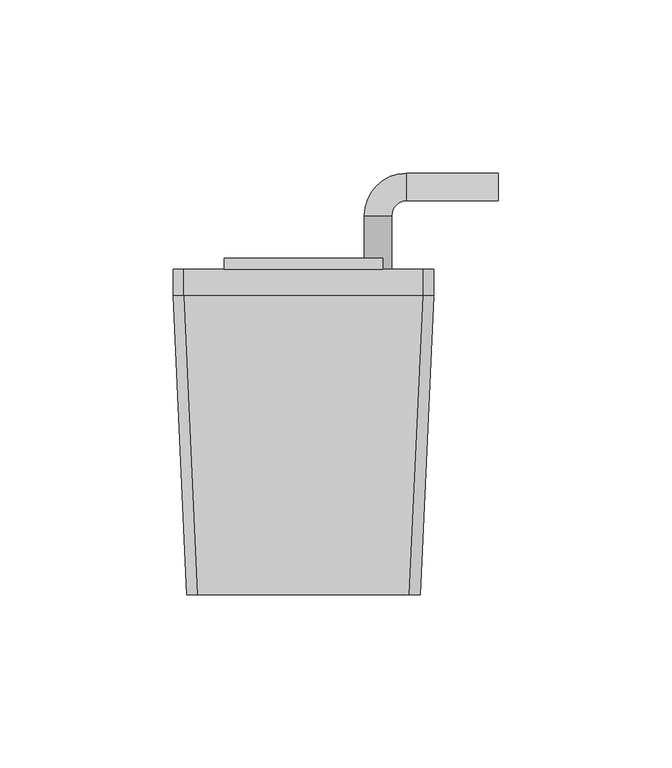
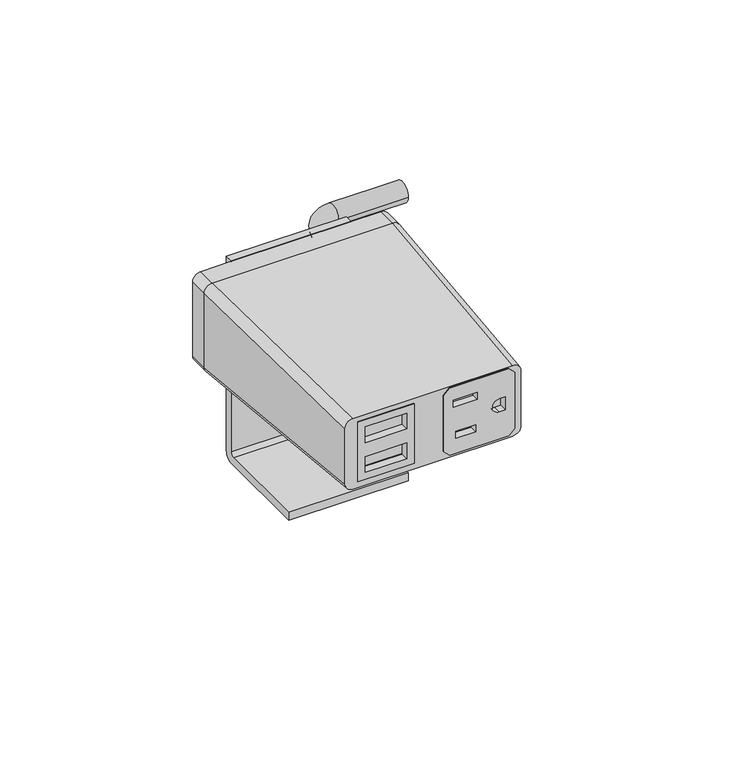
"""IFC4 building model written with IfcOpenShell, lengths in millimetres: furniture geometry."""

from ifc_helpers import new_model, si_unit, point, frame, frame_2d, origin, place, context, project, spatial, polyline, circle_curve, ellipse_curve, trimmed, segment, composite_curve, outline, extrude, source, transform, mapped, element, save
from ifc_brep_helpers import plane_surface, cylinder_surface, revolved_surface, extruded_surface, advanced_brep


def furniture_a7ff7b1a(model_context):
    return source(origin(), model_context, "Body", "SolidModel", [
        extrude(outline(polyline([(33.5799134, -7.143469), (33.5799134, -28.6985163), (9.5200868, -28.6985163), (9.5200868, -7.143469), (33.5799134, -7.143469)]), holes=[polyline([(24.3899925, -25.8584916), (30.7399205, -25.8584916), (30.7399205, -9.9834931), (24.3899925, -9.9834931), (24.3899925, -25.8584916)]), polyline([(12.3600786, -25.8584916), (18.7100078, -25.8584916), (18.7100078, -9.9834931), (12.3600786, -9.9834931), (12.3600786, -25.8584916)])]), frame((0.0, -88.4452555, 0.0), z_axis=(0.0, 1.0, 0.0), x_axis=(0.0, 0.0, 1.0)), (0.0, 0.0, 1.0), 2.932688),
        extrude(outline(polyline([(32.8010888, 4.0957501), (10.195342, 4.0957501), (7.909368, 6.3817502), (7.909368, 28.9877496), (10.195342, 31.2737497), (32.8010888, 31.2737497), (35.0870639, 28.9877496), (35.0870639, 6.3817502), (32.8010888, 4.0957501)]), holes=[polyline([(29.651524, 7.8041498), (29.651524, 17.0497496), (26.8067576, 17.0497496), (26.8067576, 7.8041498), (29.651524, 7.8041498)]), polyline([(16.900867, 16.3893498), (14.0560995, 16.3893498), (14.0560995, 8.71855), (16.900867, 8.71855), (16.900867, 16.3893498)]), composite_curve([segment(polyline([(18.8820449, 27.7177508), (18.8820449, 25.414376)]), True, "CONTINUOUS"), segment(trimmed(circle_curve(frame_2d((21.498216, 25.414376)), 2.616171), [point((18.8820449, 25.414376))], [point((24.114387, 25.414376))], True, "CARTESIAN"), True, "CONTINUOUS"), segment(polyline([(24.114387, 25.414376), (24.114387, 27.7177508), (18.8820449, 27.7177508)]), True, "CONTINUOUS")], self_intersect=False)]), frame((0.0, -88.4452555, 0.0), z_axis=(0.0, 1.0, 0.0), x_axis=(0.0, 0.0, 1.0)), (0.0, 0.0, 1.0), 2.932688),
        advanced_brep(
        [(-30.6070003, -88.4452555, 35.7222154), (-33.6549997, -88.4452555, 32.6742161), (-33.6549997, -88.4452555, 10.3222158), (-30.6070003, -88.4452555, 7.2742165), (30.6070003, -88.4452555, 7.2742165), (33.6549997, -88.4452555, 10.3222158), (33.6549997, -88.4452555, 32.6742161), (30.6070003, -88.4452555, 35.7222154), (-7.143469, -88.4452555, 33.5799134), (-7.143469, -88.4452555, 9.5200868), (-28.6985163, -88.4452555, 9.5200868), (-28.6985163, -88.4452555, 33.5799134), (4.0957501, -88.4452555, 10.195342), (4.0957501, -88.4452555, 32.8010888), (6.3817502, -88.4452555, 35.0870639), (28.9877496, -88.4452555, 35.0870639), (31.2737497, -88.4452555, 32.8010888), (31.2737497, -88.4452555, 10.195342), (28.9877496, -88.4452555, 7.909368), (6.3817502, -88.4452555, 7.909368), (-34.5440011, -2.0852583, 39.5957163), (34.5440011, -2.0852583, 39.5957163), (37.5920005, -2.0852583, 36.5477169), (37.5920005, -2.0852583, 6.4487155), (34.5440011, -2.0852583, 3.4007162), (-34.5440011, -2.0852583, 3.4007162), (-37.5920005, -2.0852583, 6.4487155), (-37.5920005, -2.0852583, 36.5477169), (-7.143469, -81.347006, 9.5200868), (-7.143469, -81.347006, 33.5799134), (-28.6985163, -81.347006, 33.5799134), (-28.6985163, -81.347006, 9.5200868), (4.0957501, -81.347006, 32.8010888), (4.0957501, -81.347006, 10.195342), (6.3817502, -81.347006, 7.909368), (28.9877496, -81.347006, 7.909368), (31.2737497, -81.347006, 10.195342), (31.2737497, -81.347006, 32.8010888), (28.9877496, -81.347006, 35.0870639), (6.3817502, -81.347006, 35.0870639)],
        [
            (0, 1, circle_curve(frame((-30.6070003, -88.4452555, 32.6742161), z_axis=(0.0, -1.0, 0.0), x_axis=(1.0, 0.0, 0.0)), 3.0479994)),
            (1, 2),
            (2, 3, circle_curve(frame((-30.6070003, -88.4452555, 10.3222158), z_axis=(0.0, -1.0, 0.0), x_axis=(1.0, 0.0, 0.0)), 3.0479994)),
            (3, 4),
            (4, 5, circle_curve(frame((30.6070003, -88.4452555, 10.3222158), z_axis=(0.0, -1.0, 0.0), x_axis=(1.0, 0.0, 0.0)), 3.0479994)),
            (5, 6),
            (6, 7, circle_curve(frame((30.6070003, -88.4452555, 32.6742161), z_axis=(0.0, -1.0, 0.0), x_axis=(1.0, 0.0, 0.0)), 3.0479994)),
            (7, 0),
            (8, 9),
            (9, 10),
            (10, 11),
            (11, 8),
            (12, 13),
            (13, 14),
            (14, 15),
            (15, 16),
            (16, 17),
            (17, 18),
            (18, 19),
            (19, 12),
            (20, 21),
            (21, 22, circle_curve(frame((34.5440011, -2.0852583, 36.5477169), z_axis=(0.0, 1.0, 0.0), x_axis=(1.0, 0.0, 0.0)), 3.0479994)),
            (22, 23),
            (23, 24, circle_curve(frame((34.5440011, -2.0852583, 6.4487155), z_axis=(0.0, 1.0, 0.0), x_axis=(1.0, 0.0, 0.0)), 3.0479994)),
            (24, 25),
            (25, 26, circle_curve(frame((-34.5440011, -2.0852583, 6.4487155), z_axis=(0.0, 1.0, 0.0), x_axis=(1.0, 0.0, 0.0)), 3.0479994)),
            (26, 27),
            (27, 20, circle_curve(frame((-34.5440011, -2.0852583, 36.5477169), z_axis=(0.0, 1.0, 0.0), x_axis=(1.0, 0.0, 0.0)), 3.0479994)),
            (0, 20),
            (27, 1),
            (26, 2),
            (25, 3),
            (24, 4),
            (23, 5),
            (22, 6),
            (21, 7),
            (28, 29),
            (29, 30),
            (30, 31),
            (31, 28),
            (32, 33),
            (33, 34),
            (34, 35),
            (35, 36),
            (36, 37),
            (37, 38),
            (38, 39),
            (39, 32),
            (28, 9),
            (8, 29),
            (11, 30),
            (10, 31),
            (32, 13),
            (12, 33),
            (19, 34),
            (18, 35),
            (17, 36),
            (16, 37),
            (15, 38),
            (14, 39),
        ],
        [
            plane_surface(frame((0.0, -88.4452555, 21.498216), z_axis=(0.0, -1.0, 0.0), x_axis=(-1.0, 0.0, 0.0))),
            plane_surface(frame((0.0, -2.0852583, 21.4982162), z_axis=(0.0, 1.0, 0.0), x_axis=(-1.0, 0.0, 0.0))),
            extruded_surface(trimmed(circle_curve(frame((-34.5440011, -2.0852583, 36.5477169), z_axis=(0.0, -1.0, 0.0), x_axis=(1.0, 0.0, 0.0)), 3.0479994), [point((-34.5440011, -2.0852583, 39.5957163))], [point((-37.5920005, -2.0852583, 36.5477169))], True, "CARTESIAN"), (3.9370008000000034, -86.3599972, -3.873500799999995), 86.53642643494592),
            plane_surface(frame((-37.5920005, -2.0852583, 21.4982162), z_axis=(-0.9989624728470853, -0.0455409468855925, 0.0), x_axis=(0.0, 0.0, -1.0))),
            extruded_surface(trimmed(circle_curve(frame((-34.5440011, -2.0852583, 6.4487155), z_axis=(0.0, -1.0, 0.0), x_axis=(1.0, 0.0, 0.0)), 3.0479994), [point((-37.5920005, -2.0852583, 6.4487155))], [point((-34.5440011, -2.0852583, 3.4007162))], True, "CARTESIAN"), (3.9370008000000034, -86.3599972, 3.873500300000001), 86.53642641256518),
            plane_surface(frame((0.0, -2.0852583, 3.4007162), z_axis=(0.0, -0.0448078965931779, -0.998995621813677), x_axis=(1.0, 0.0, 0.0))),
            extruded_surface(trimmed(circle_curve(frame((34.5440011, -2.0852583, 6.4487155), z_axis=(0.0, -1.0, 0.0), x_axis=(1.0, 0.0, 0.0)), 3.0479994), [point((34.5440011, -2.0852583, 3.4007162))], [point((37.5920005, -2.0852583, 6.4487155))], True, "CARTESIAN"), (-3.9370008000000034, -86.3599972, 3.873500300000001), 86.53642641256518),
            plane_surface(frame((37.5920005, -2.0852583, 21.4982162), z_axis=(0.9989624728470853, -0.045540946885592404, 0.0), x_axis=(0.0, 0.0, 1.0))),
            extruded_surface(trimmed(circle_curve(frame((34.5440011, -2.0852583, 36.5477169), z_axis=(0.0, -1.0, 0.0), x_axis=(1.0, 0.0, 0.0)), 3.0479994), [point((37.5920005, -2.0852583, 36.5477169))], [point((34.5440011, -2.0852583, 39.5957163))], True, "CARTESIAN"), (-3.9370008000000034, -86.3599972, -3.873500799999995), 86.53642643494592),
            plane_surface(frame((0.0, -2.0852583, 39.5957163), z_axis=(0.0, -0.04480790314743242, 0.9989956215196993), x_axis=(-1.0, 0.0, 0.0))),
            plane_surface(frame((-28.6985163, -81.347006, 9.5200868), z_axis=(0.0, -1.0, 0.0), x_axis=(-1.0, 0.0, 0.0))),
            plane_surface(frame((-7.143469, -81.347006, 33.5799134), z_axis=(-1.0, 0.0, 0.0), x_axis=(0.0, -1.0, 0.0))),
            plane_surface(frame((-28.6985163, -81.347006, 33.5799134), z_axis=(0.0, 0.0, -1.0), x_axis=(0.0, -1.0, 0.0))),
            plane_surface(frame((-28.6985163, -81.347006, 9.5200868), z_axis=(1.0, 0.0, 0.0), x_axis=(0.0, -1.0, 0.0))),
            plane_surface(frame((-7.143469, -81.347006, 9.5200868), z_axis=(0.0, 0.0, 1.0), x_axis=(0.0, -1.0, 0.0))),
            plane_surface(frame((4.0957501, -81.347006, 10.195342), z_axis=(1.0, 0.0, 0.0), x_axis=(0.0, -1.0, 0.0))),
            plane_surface(frame((6.3817502, -81.347006, 7.909368), z_axis=(0.7071027420791227, 0.0, 0.7071108202709006), x_axis=(0.0, -1.0, 0.0))),
            plane_surface(frame((28.9877496, -81.347006, 7.909368), z_axis=(0.0, 0.0, 1.0), x_axis=(0.0, -1.0, 0.0))),
            plane_surface(frame((31.2737497, -81.347006, 10.195342), z_axis=(-0.707102742079113, 0.0, 0.7071108202709103), x_axis=(0.0, -1.0, 0.0))),
            plane_surface(frame((31.2737497, -81.347006, 32.8010888), z_axis=(-1.0, 0.0, 0.0), x_axis=(0.0, -1.0, 0.0))),
            plane_surface(frame((28.9877496, -81.347006, 35.0870639), z_axis=(-0.7071029176939297, 0.0, -0.7071106446580561), x_axis=(0.0, -1.0, 0.0))),
            plane_surface(frame((6.3817502, -81.347006, 35.0870639), z_axis=(0.0, 0.0, -1.0), x_axis=(0.0, -1.0, 0.0))),
            plane_surface(frame((4.0957501, -81.347006, 32.8010888), z_axis=(0.7071029176939185, 0.0, -0.7071106446580673), x_axis=(0.0, -1.0, 0.0))),
        ],
        [
            (0, [[1, 2, 3, 4, 5, 6, 7, 8], [9, 10, 11, 12], [13, 14, 15, 16, 17, 18, 19, 20]]),
            (1, [[21, 22, 23, 24, 25, 26, 27, 28]]),
            (2, [[-1, 29, -28, 30]]),
            (3, [[-2, -30, -27, 31]]),
            (4, [[-3, -31, -26, 32]]),
            (5, [[-4, -32, -25, 33]]),
            (6, [[-5, -33, -24, 34]]),
            (7, [[-6, -34, -23, 35]]),
            (8, [[-7, -35, -22, 36]]),
            (9, [[-8, -36, -21, -29]]),
            (10, [[37, 38, 39, 40]]),
            (10, [[41, 42, 43, 44, 45, 46, 47, 48]]),
            (11, [[-37, 49, -9, 50]]),
            (12, [[-38, -50, -12, 51]]),
            (13, [[-39, -51, -11, 52]]),
            (14, [[-40, -52, -10, -49]]),
            (15, [[-41, 53, -13, 54]]),
            (16, [[-42, -54, -20, 55]]),
            (17, [[-43, -55, -19, 56]]),
            (18, [[-44, -56, -18, 57]]),
            (19, [[-45, -57, -17, 58]]),
            (20, [[-46, -58, -16, 59]]),
            (21, [[-47, -59, -15, 60]]),
            (22, [[-48, -60, -14, -53]]),
        ],
    ),
        advanced_brep(
        [(22.8600009, 8.7097421, 39.790817), (-22.8600009, 8.7097421, 39.790817), (-22.8600009, 5.5347423, 39.790817), (22.8600009, 5.5347423, 39.790817), (22.8600009, 8.7097421, 29.6169016), (17.5720243, 8.7097421, 25.8828088), (22.8600009, 8.7097421, 22.148716), (22.8600009, 8.7097421, -38.8619998), (-22.8600009, 8.7097421, -38.8619998), (-22.8600009, 5.5347406, -42.0370014), (-22.8600009, -32.4382589, -42.0370014), (-22.8600009, -32.4382589, -38.8619998), (-22.8600009, 4.0107421, -38.8619998), (-22.8600009, 5.5347423, -37.3379996), (-22.8600009, 5.5347423, -1.5240008), (-22.8600009, 4.0107415, 0.0), (-22.8600009, -26.3422579, 0.0), (-22.8600009, -26.3422579, 3.1750001), (-22.8600009, 5.5347418, 3.1750001), (-22.8600009, 5.5347423, 3.4007162), (-22.8600009, 5.5347418, 39.5957163), (22.8600009, 5.5347423, 39.5957163), (22.8600009, 5.5347423, 3.1750001), (22.8600009, 5.5347423, 3.4007162), (22.8600009, 5.5347418, 29.6169016), (22.8600009, 5.5347423, -37.3379996), (22.8600009, 4.0107421, -38.8619998), (22.8600009, -32.4382589, -38.8619998), (22.8600009, -32.4382589, -42.0370014), (22.8600009, 5.5347406, -42.0370014), (22.8600009, 5.5347418, 22.148716), (22.8600009, -26.3422579, 3.1750001), (22.8600009, -26.3422579, 0.0), (22.8600009, 4.0107415, 0.0), (22.8600009, 5.5347423, -1.5240008), (-34.5440011, -2.0852583, 3.4007162), (34.5440011, -2.0852583, 3.4007162), (37.5920005, -2.0852583, 6.4487155), (37.5920005, -2.0852583, 36.5477169), (34.5440011, -2.0852583, 39.5957163), (-34.5440011, -2.0852583, 39.5957163), (-37.5920005, -2.0852583, 36.5477169), (-37.5920005, -2.0852583, 6.4487155), (-34.5440011, 5.5347418, 3.4007162), (-37.5920005, 5.5347418, 6.4487155), (-37.5920005, 5.5347418, 36.5477169), (-34.5440011, 5.5347418, 39.5957163), (34.5440011, 5.5347418, 39.5957163), (37.5920005, 5.5347418, 36.5477169), (37.5920005, 5.5347418, 6.4487155), (34.5440011, 5.5347418, 3.4007162), (25.4968222, 5.5347418, 25.8828088), (56.2588798, 33.2236057, 25.8828088), (56.2588798, 25.2988078, 25.8828088), (29.7883628, 33.2236057, 25.8828088), (29.7883628, 25.2988078, 25.8828088), (17.5720243, 21.0072671, 25.8828088), (25.4968222, 21.0072671, 25.8828088)],
        [
            (0, 1),
            (1, 2),
            (2, 3),
            (3, 0),
            (0, 4),
            (4, 5, circle_curve(frame((21.5344232, 8.7097421, 25.8828088), z_axis=(0.0, -1.0, 0.0), x_axis=(1.0, 0.0, 0.0)), 3.9623989)),
            (5, 6, circle_curve(frame((21.5344232, 8.7097421, 25.8828088), z_axis=(0.0, -1.0, 0.0), x_axis=(1.0, 0.0, 0.0)), 3.9623989)),
            (6, 7),
            (7, 8),
            (8, 1),
            (8, 9, circle_curve(frame((-22.8600009, 5.5347406, -38.8619998), z_axis=(-1.0, 0.0, 0.0), x_axis=(0.0, 1.0, 0.0)), 3.1750015)),
            (9, 10),
            (10, 11),
            (11, 12),
            (12, 13, circle_curve(frame((-22.8600009, 4.0107421, -37.3379996), z_axis=(1.0, 0.0, 0.0), x_axis=(0.0, 1.0, 0.0)), 1.5240002)),
            (13, 14),
            (14, 15, circle_curve(frame((-22.8600009, 4.0107415, -1.5240008), z_axis=(1.0, 0.0, 0.0), x_axis=(0.0, 1.0, 0.0)), 1.5240008)),
            (15, 16),
            (16, 17),
            (17, 18),
            (18, 19),
            (19, 20),
            (20, 2),
            (20, 21),
            (21, 3),
            (18, 22),
            (22, 23),
            (23, 19),
            (21, 24),
            (24, 4),
            (25, 26, circle_curve(frame((22.8600009, 4.0107421, -37.3379996), z_axis=(-1.0, 0.0, 0.0), x_axis=(0.0, 1.0, 0.0)), 1.5240002)),
            (26, 27),
            (27, 28),
            (28, 29),
            (29, 7, circle_curve(frame((22.8600009, 5.5347406, -38.8619998), z_axis=(1.0, 0.0, 0.0), x_axis=(0.0, 1.0, 0.0)), 3.1750015)),
            (6, 30),
            (30, 23),
            (22, 31),
            (31, 32),
            (32, 33),
            (33, 34, circle_curve(frame((22.8600009, 4.0107415, -1.5240008), z_axis=(-1.0, 0.0, 0.0), x_axis=(0.0, 1.0, 0.0)), 1.5240008)),
            (34, 25),
            (13, 25),
            (34, 14),
            (33, 15),
            (32, 16),
            (31, 17),
            (29, 9),
            (28, 10),
            (27, 11),
            (26, 12),
            (35, 36),
            (36, 37, circle_curve(frame((34.5440011, -2.0852583, 6.4487155), z_axis=(0.0, -1.0, 0.0), x_axis=(-1.0, 0.0, 0.0)), 3.0479994)),
            (37, 38),
            (38, 39, circle_curve(frame((34.5440011, -2.0852583, 36.5477169), z_axis=(0.0, -1.0, 0.0), x_axis=(-1.0, 0.0, 0.0)), 3.0479994)),
            (39, 40),
            (40, 41, circle_curve(frame((-34.5440011, -2.0852583, 36.5477169), z_axis=(0.0, -1.0, 0.0), x_axis=(-1.0, 0.0, 0.0)), 3.0479994)),
            (41, 42),
            (42, 35, circle_curve(frame((-34.5440011, -2.0852583, 6.4487155), z_axis=(0.0, -1.0, 0.0), x_axis=(-1.0, 0.0, 0.0)), 3.0479994)),
            (43, 44, circle_curve(frame((-34.5440011, 5.5347418, 6.4487155), z_axis=(0.0, 1.0, 0.0), x_axis=(-1.0, 0.0, 0.0)), 3.0479994)),
            (44, 45),
            (45, 46, circle_curve(frame((-34.5440011, 5.5347418, 36.5477169), z_axis=(0.0, 1.0, 0.0), x_axis=(-1.0, 0.0, 0.0)), 3.0479994)),
            (46, 20),
            (19, 43),
            (47, 48, circle_curve(frame((34.5440011, 5.5347418, 36.5477169), z_axis=(0.0, 1.0, 0.0), x_axis=(-1.0, 0.0, 0.0)), 3.0479994)),
            (48, 49),
            (49, 50, circle_curve(frame((34.5440011, 5.5347418, 6.4487155), z_axis=(0.0, 1.0, 0.0), x_axis=(-1.0, 0.0, 0.0)), 3.0479994)),
            (50, 23),
            (30, 51, circle_curve(frame((21.5344232, 5.5347418, 25.8828088), z_axis=(0.0, -1.0, 0.0), x_axis=(1.0, 0.0, 0.0)), 3.9623989)),
            (51, 24, circle_curve(frame((21.5344232, 5.5347418, 25.8828088), z_axis=(0.0, -1.0, 0.0), x_axis=(1.0, 0.0, 0.0)), 3.9623989)),
            (21, 47),
            (35, 43),
            (50, 36),
            (49, 37),
            (48, 38),
            (47, 39),
            (46, 40),
            (45, 41),
            (44, 42),
            (52, 53, circle_curve(frame((56.2588798, 29.2612068, 25.8828088), z_axis=(1.0, 0.0, 0.0), x_axis=(0.0, -1.0, 0.0)), 3.9623989)),
            (53, 52, circle_curve(frame((56.2588798, 29.2612068, 25.8828088), z_axis=(1.0, 0.0, 0.0), x_axis=(0.0, -1.0, 0.0)), 3.9623989)),
            (52, 54),
            (54, 55, circle_curve(frame((29.7883628, 29.2612068, 25.8828088), z_axis=(1.0, 0.0, 0.0), x_axis=(0.0, -1.0, 0.0)), 3.9623989)),
            (55, 53),
            (55, 54, circle_curve(frame((29.7883628, 29.2612068, 25.8828088), z_axis=(1.0, 0.0, 0.0), x_axis=(0.0, -1.0, 0.0)), 3.9623989)),
            (54, 56, circle_curve(frame((29.7883628, 21.0072671, 25.8828088), z_axis=(0.0, 0.0, 1.0), x_axis=(0.0, 1.0, 0.0)), 12.2163386)),
            (56, 57, circle_curve(frame((21.5344232, 21.0072671, 25.8828088), z_axis=(0.0, 1.0, 0.0), x_axis=(1.0, 0.0, 0.0)), 3.9623989)),
            (57, 55, circle_curve(frame((29.7883628, 21.0072671, 25.8828088), z_axis=(0.0, 0.0, -1.0), x_axis=(0.0, 1.0, 0.0)), 4.2915407)),
            (57, 56, circle_curve(frame((21.5344232, 21.0072671, 25.8828088), z_axis=(0.0, 1.0, 0.0), x_axis=(1.0, 0.0, 0.0)), 3.9623989)),
            (56, 5),
            (51, 57),
        ],
        [
            plane_surface(frame((-22.8600009, 8.7097421, 39.790817), z_axis=(0.0, 0.0, 1.0), x_axis=(-1.0, 0.0, 0.0))),
            plane_surface(frame((22.8600009, 8.7097421, 39.790817), z_axis=(0.0, 1.0, 0.0), x_axis=(0.0, 0.0, -1.0))),
            plane_surface(frame((-22.8600009, 8.7097421, 39.790817), z_axis=(-1.0, 0.0, 0.0), x_axis=(0.0, 0.0, -1.0))),
            plane_surface(frame((-22.8600009, 5.5347423, 39.790817), z_axis=(0.0, -1.0, 0.0), x_axis=(0.0, 0.0, -1.0))),
            plane_surface(frame((22.8600009, 5.5347423, 39.790817), z_axis=(1.0, 0.0, 0.0), x_axis=(0.0, 0.0, -1.0))),
            plane_surface(frame((-22.8600009, 5.5347423, -37.3379996), z_axis=(0.0, -1.0, 0.0), x_axis=(1.0, 0.0, 0.0))),
            revolved_surface(polyline([(22.8600009, 5.5347423, -1.5240008), (-22.8600009, 5.5347423, -1.5240008)]), (-22.8600009, 4.0107415, -1.5240008), (1.0, 0.0, 0.0)),
            plane_surface(frame((-22.8600009, 4.0107415, 0.0), z_axis=(0.0, 0.0, -1.0), x_axis=(1.0, 0.0, 0.0))),
            plane_surface(frame((-22.8600009, -26.3422579, 0.0), z_axis=(0.0, -1.0, 0.0), x_axis=(1.0, 0.0, 0.0))),
            plane_surface(frame((-22.8600009, -26.3422579, 3.1750001), z_axis=(0.0, 0.0, 1.0), x_axis=(1.0, 0.0, 0.0))),
            cylinder_surface(frame((-22.8600009, 5.5347406, -38.8619998), z_axis=(-1.0, 0.0, 0.0), x_axis=(0.0, 1.0, 0.0)), 3.1750015),
            plane_surface(frame((-22.8600009, 5.5347406, -42.0370014), z_axis=(0.0, 0.0, -1.0), x_axis=(1.0, 0.0, 0.0))),
            plane_surface(frame((-22.8600009, -32.4382589, -42.0370014), z_axis=(0.0, -1.0, 0.0), x_axis=(1.0, 0.0, 0.0))),
            plane_surface(frame((-22.8600009, -32.4382589, -38.8619998), z_axis=(0.0, 0.0, 1.0), x_axis=(1.0, 0.0, 0.0))),
            revolved_surface(polyline([(22.8600009, 5.5347423, -37.3379996), (-22.8600009, 5.5347423, -37.3379996)]), (-22.8600009, 4.0107421, -37.3379996), (1.0, 0.0, 0.0)),
            plane_surface(frame((0.0, -2.0852583, 0.0), z_axis=(0.0, -1.0, 0.0), x_axis=(0.0, 0.0, 1.0))),
            plane_surface(frame((0.0, 5.5347418, 0.0), z_axis=(0.0, 1.0, 0.0), x_axis=(0.0, 0.0, 1.0))),
            plane_surface(frame((-34.5440011, -2.0852583, 3.4007162), z_axis=(0.0, 0.0, -1.0), x_axis=(0.0, 1.0, 0.0))),
            cylinder_surface(frame((34.5440011, -2.0852583, 6.4487155), z_axis=(0.0, -1.0, 0.0), x_axis=(-1.0, 0.0, 0.0)), 3.0479994),
            plane_surface(frame((37.5920005, -2.0852583, 6.4487155), z_axis=(1.0, 0.0, 0.0), x_axis=(0.0, 1.0, 0.0))),
            cylinder_surface(frame((34.5440011, -2.0852583, 36.5477169), z_axis=(0.0, -1.0, 0.0), x_axis=(-1.0, 0.0, 0.0)), 3.0479994),
            plane_surface(frame((34.5440011, -2.0852583, 39.5957163), z_axis=(0.0, 0.0, 1.0), x_axis=(0.0, 1.0, 0.0))),
            cylinder_surface(frame((-34.5440011, -2.0852583, 36.5477169), z_axis=(0.0, -1.0, 0.0), x_axis=(-1.0, 0.0, 0.0)), 3.0479994),
            plane_surface(frame((-37.5920005, -2.0852583, 36.5477169), z_axis=(-1.0, 0.0, 0.0), x_axis=(0.0, 1.0, 0.0))),
            cylinder_surface(frame((-34.5440011, -2.0852583, 6.4487155), z_axis=(0.0, -1.0, 0.0), x_axis=(-1.0, 0.0, 0.0)), 3.0479994),
            plane_surface(frame((56.2588798, 29.2612068, 0.0), z_axis=(1.0, 0.0, 0.0), x_axis=(0.0, 0.0, 1.0))),
            cylinder_surface(frame((56.2588798, 29.2612068, 25.8828088), z_axis=(1.0, 0.0, 0.0), x_axis=(0.0, -1.0, 0.0)), 3.9623989),
            revolved_surface(trimmed(ellipse_curve(frame((29.7883628, 29.2612068, 25.8828088), z_axis=(1.0, 0.0, 0.0), x_axis=(0.0, -1.0, 0.0)), 3.9623989, 3.9623989), [point((29.7883628, 33.2236057, 25.8828088))], [point((29.7883628, 25.2988078, 25.8828088))], True, "CARTESIAN"), (29.7883628, 21.0072671, 0.0), (0.0, 0.0, 1.0)),
            revolved_surface(trimmed(ellipse_curve(frame((29.7883628, 29.2612068, 25.8828088), z_axis=(1.0, 0.0, 0.0), x_axis=(0.0, -1.0, 0.0)), 3.9623989, 3.9623989), [point((29.7883628, 25.2988078, 25.8828088))], [point((29.7883628, 33.2236057, 25.8828088))], True, "CARTESIAN"), (29.7883628, 21.0072671, 0.0), (0.0, 0.0, 1.0)),
            cylinder_surface(frame((21.5344232, 21.0072671, 25.8828088), z_axis=(0.0, 1.0, 0.0), x_axis=(1.0, 0.0, 0.0)), 3.9623989),
        ],
        [
            (0, [[1, 2, 3, 4]]),
            (1, [[-1, 5, 6, 7, 8, 9, 10]]),
            (2, [[-2, -10, 11, 12, 13, 14, 15, 16, 17, 18, 19, 20, 21, 22, 23]]),
            (3, [[-3, -23, 24, 25]]),
            (3, [[26, 27, 28, -21]]),
            (4, [[-4, -25, 29, 30, -5]]),
            (4, [[31, 32, 33, 34, 35, -8, 36, 37, -27, 38, 39, 40, 41, 42]]),
            (5, [[-16, 43, -42, 44]]),
            (6, [[-17, -44, -41, 45]]),
            (7, [[-18, -45, -40, 46]]),
            (8, [[-19, -46, -39, 47]]),
            (9, [[-20, -47, -38, -26]]),
            (10, [[-11, -9, -35, 48]]),
            (11, [[-12, -48, -34, 49]]),
            (12, [[-13, -49, -33, 50]]),
            (13, [[-14, -50, -32, 51]]),
            (14, [[-15, -51, -31, -43]]),
            (15, [[52, 53, 54, 55, 56, 57, 58, 59]]),
            (16, [[60, 61, 62, 63, -22, 64]]),
            (16, [[65, 66, 67, 68, -37, 69, 70, -29, 71]]),
            (17, [[-52, 72, -64, -28, -68, 73]]),
            (18, [[-53, -73, -67, 74]]),
            (19, [[-54, -74, -66, 75]]),
            (20, [[-55, -75, -65, 76]]),
            (21, [[-56, -76, -71, -24, -63, 77]]),
            (22, [[-57, -77, -62, 78]]),
            (23, [[-58, -78, -61, 79]]),
            (24, [[-59, -79, -60, -72]]),
            (25, [[80, 81]]),
            (26, [[-80, 82, 83, 84]]),
            (26, [[-81, -84, 85, -82]]),
            (27, [[-83, 86, 87, 88]]),
            (28, [[-85, -88, 89, -86]]),
            (29, [[-87, 90, -6, -30, -70, 91]]),
            (29, [[-89, -91, -69, -36, -7, -90]]),
        ],
    ),
    ])


if __name__ == "__main__":
    model = new_model("IFC4")
    model_context = context("Model", 3, world=origin())
    ifc_project = project(units=[si_unit("LENGTHUNIT", "METRE", prefix="MILLI")], contexts=[model_context])
    site = spatial("IfcSite", under=ifc_project)
    building = spatial("IfcBuilding", under=site)
    placement = place(None, origin())
    furniture_shape = furniture_a7ff7b1a(model_context)
    element("IfcFurniture", 1, at=placement, inside=building, context=model_context, shape_type="MappedRepresentation", body=[
        mapped(furniture_shape, transform((0.0, 0.0, 0.0), x_axis=(1.0, 0.0, 0.0), y_axis=(0.0, 1.0, 0.0), z_axis=(0.0, 0.0, 1.0))),
    ])
    save(model, "model.ifc")
